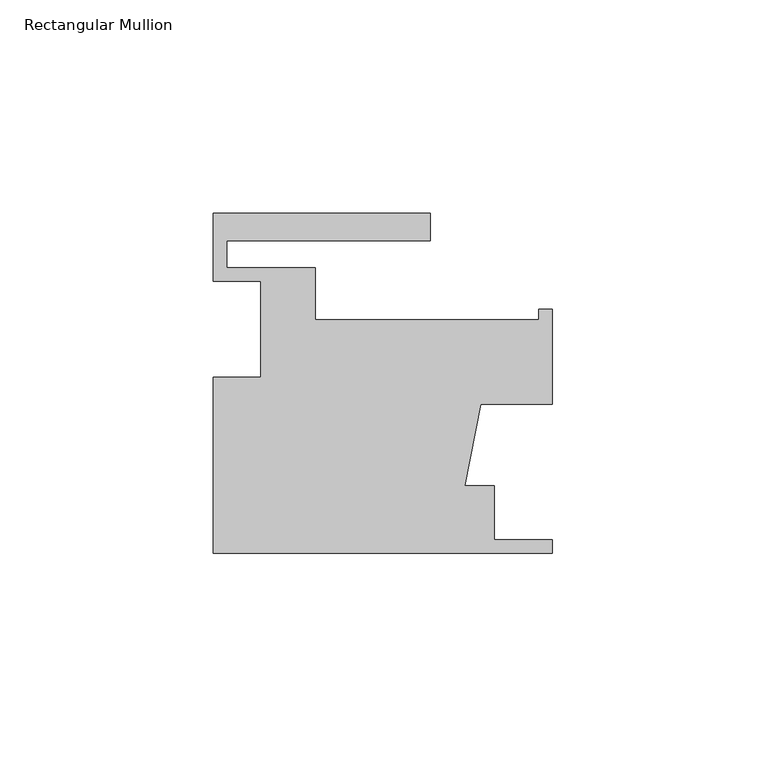
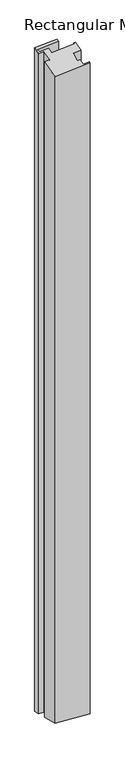
"""IFC4 building model written with IfcOpenShell, lengths in millimetres: member geometry, Rectangular Mullion."""

from ifc_helpers import new_model, si_unit, origin, place, context, project, spatial, faceted_brep, source, transform, mapped, element, save


def rectangular_mullion_bc1ea50b(model_context):
    return source(origin(), model_context, "Body", "Brep", [
        faceted_brep([(0.0, -41.3742187, -10.7325429), (-79.375, -41.3742187, -16.0616298), (-79.375, -41.3742187, -1561.6992692), (0.0, -41.3742187, -1567.028356), (0.0, -38.1992187, -9.9089425), (0.0, -38.1992187, -1567.8519564), (-13.589, -38.1992187, -10.8212822), (-13.589, -38.1992187, -1566.9396168), (-13.589, -25.4992187, -7.5268805), (-13.589, -25.4992187, -1570.2340184), (-20.4645725, -25.4992187, -7.9884934), (-20.4645725, -25.4992187, -1569.7724055), (-16.7868047, -6.4492187, -2.7999725), (-16.7868047, -6.4492187, -1574.9609264), (0.0, -6.4492187, -1.6729383), (0.0, -6.4492187, -1576.0879606), (0.0, 15.7757813, 4.0922646), (0.0, 15.7757813, -1581.8531635), (-3.175, 15.7757813, 3.8791011), (-3.175, 15.7757813, -1581.64), (-3.175, 13.3881813, 3.2597536), (-3.175, 13.3881813, -1581.0206525), (-55.5498, 13.3881813, -0.2565911), (-55.5498, 13.3881813, -1577.5043079), (-55.5498, 25.5547813, 2.8994457), (-55.5498, 25.5547813, -1580.6603447), (-76.2, 25.5547813, 1.5130305), (-76.2, 25.5547813, -1579.2739294), (-76.2, 31.9047813, 3.1602313), (-76.2, 31.9047813, -1580.9211303), (-28.575, 31.9047813, 6.3576834), (-28.575, 31.9047813, -1584.1185824), (-28.575, 38.2547813, 8.0048843), (-28.575, 38.2547813, -1585.7657832), (-79.375, 38.2547813, 4.5942687), (-79.375, 38.2547813, -1582.3551676), (-79.375, 22.3797813, 0.4762666), (-79.375, 22.3797813, -1578.2371655), (-68.2498, 22.3797813, 1.2231914), (-68.2498, 22.3797813, -1578.9840904), (-68.2498, -0.0992187, -4.6078995), (-68.2498, -0.0992188, -1573.1529994), (-79.375, -0.0992187, -5.3548243), (-79.375, -0.0992188, -1572.4060746)], [[[0, 1, 2, 3]], [[4, 0, 3, 5]], [[6, 4, 5, 7]], [[8, 6, 7, 9]], [[10, 8, 9, 11]], [[12, 10, 11, 13]], [[14, 12, 13, 15]], [[16, 14, 15, 17]], [[18, 16, 17, 19]], [[20, 18, 19, 21]], [[22, 20, 21, 23]], [[24, 22, 23, 25]], [[26, 24, 25, 27]], [[28, 26, 27, 29]], [[30, 28, 29, 31]], [[32, 30, 31, 33]], [[34, 32, 33, 35]], [[36, 34, 35, 37]], [[38, 36, 37, 39]], [[40, 38, 39, 41]], [[42, 40, 41, 43]], [[1, 42, 43, 2]], [[1, 0, 4, 6, 8, 10, 12, 14, 16, 18, 20, 22, 24, 26, 28, 30, 32, 34, 36, 38, 40, 42]], [[2, 43, 41, 39, 37, 35, 33, 31, 29, 27, 25, 23, 21, 19, 17, 15, 13, 11, 9, 7, 5, 3]]]),
    ])


if __name__ == "__main__":
    model = new_model("IFC4")
    model_context = context("Model", 3, world=origin())
    ifc_project = project(units=[si_unit("LENGTHUNIT", "METRE", prefix="MILLI")], contexts=[model_context])
    site = spatial("IfcSite", under=ifc_project)
    building = spatial("IfcBuilding", under=site)
    placement = place(None, origin())
    rectangular_mullion_shape = rectangular_mullion_bc1ea50b(model_context)
    element("IfcMember", 1, ObjectType="Rectangular Mullion", at=placement, inside=building, context=model_context, shape_type="MappedRepresentation", body=[
        mapped(rectangular_mullion_shape, transform((0.0, 0.0, 0.0), x_axis=(1.0, 0.0, 0.0), y_axis=(0.0, 1.0, 0.0), z_axis=(0.0, 0.0, 1.0))),
    ])
    save(model, "model.ifc")
